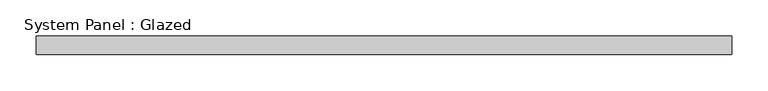
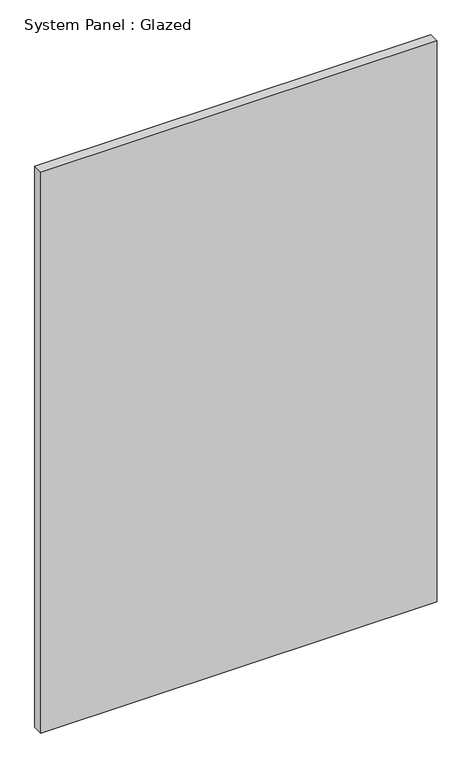
"""IFC4 building model written with IfcOpenShell, lengths in millimetres: plate geometry, System Panel : Glazed."""

from ifc_helpers import new_model, si_unit, origin, origin_with_axes, place, context, project, spatial, polyline, outline, extrude, source, transform, mapped, element, save


def system_panel_glazed_d21847c8(model_context):
    return source(origin(), model_context, "Body", "SweptSolid", [
        extrude(outline(polyline([(479.425, 0.0), (-479.425, 0.0), (-479.425, 25.4), (479.425, 25.4), (479.425, 0.0)])), origin_with_axes(), (0.0, 0.0, 1.0), 1435.1),
    ])


if __name__ == "__main__":
    model = new_model("IFC4")
    model_context = context("Model", 3, world=origin())
    ifc_project = project(units=[si_unit("LENGTHUNIT", "METRE", prefix="MILLI")], contexts=[model_context])
    site = spatial("IfcSite", under=ifc_project)
    building = spatial("IfcBuilding", under=site)
    placement = place(None, origin())
    system_panel_glazed_shape = system_panel_glazed_d21847c8(model_context)
    element("IfcPlate", 1, ObjectType="System Panel : Glazed", at=placement, inside=building, context=model_context, shape_type="MappedRepresentation", body=[
        mapped(system_panel_glazed_shape, transform((0.0, 0.0, 0.0), x_axis=(1.0, 0.0, 0.0), y_axis=(0.0, 1.0, 0.0), z_axis=(0.0, 0.0, 1.0))),
    ])
    save(model, "model.ifc")
